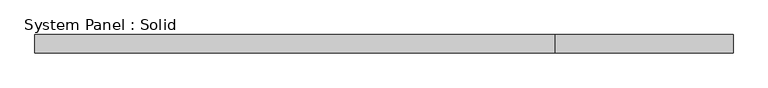
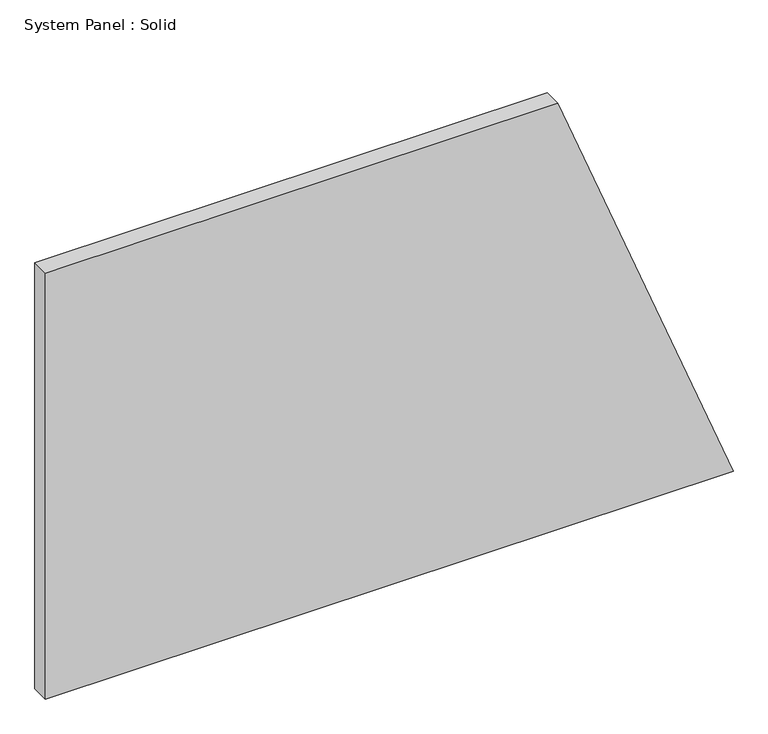
"""IFC4 building model written with IfcOpenShell, lengths in millimetres: plate geometry, System Panel : Solid."""

from ifc_helpers import new_model, si_unit, frame, origin, place, context, project, spatial, polyline, outline, extrude, source, transform, mapped, element, save


def system_panel_solid_601b7002(model_context):
    return source(origin(), model_context, "Body", "SweptSolid", [
        extrude(outline(polyline([(0.0, -1132.0268445), (0.0, 1132.0268445), (1482.7715864, 555.1899214), (1482.7715864, -1132.0268445), (0.0, -1132.0268445)])), frame((0.0, -10.5, 0.0), z_axis=(0.0, 1.0, 0.0), x_axis=(0.0, 0.0, 1.0)), (0.0, 0.0, 1.0), 60.0),
    ])


if __name__ == "__main__":
    model = new_model("IFC4")
    model_context = context("Model", 3, world=origin())
    ifc_project = project(units=[si_unit("LENGTHUNIT", "METRE", prefix="MILLI")], contexts=[model_context])
    site = spatial("IfcSite", under=ifc_project)
    building = spatial("IfcBuilding", under=site)
    placement = place(None, origin())
    system_panel_solid_shape = system_panel_solid_601b7002(model_context)
    element("IfcPlate", 1, ObjectType="System Panel : Solid", at=placement, inside=building, context=model_context, shape_type="MappedRepresentation", body=[
        mapped(system_panel_solid_shape, transform((0.0, 0.0, 0.0), x_axis=(1.0, 0.0, 0.0), y_axis=(0.0, 1.0, 0.0), z_axis=(0.0, 0.0, 1.0))),
    ])
    save(model, "model.ifc")
